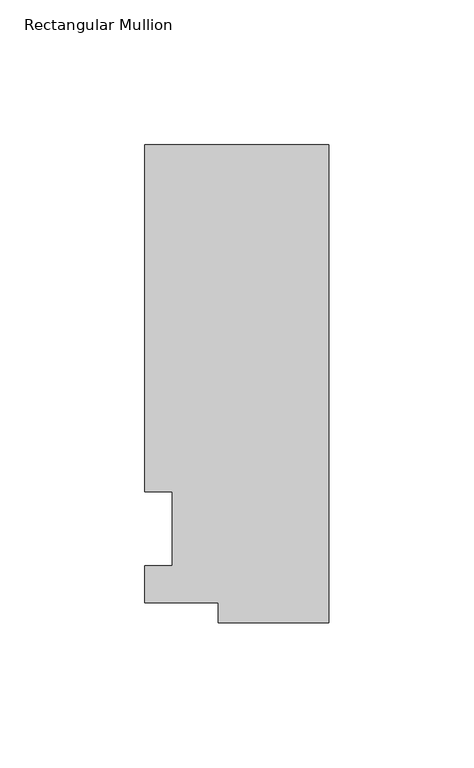
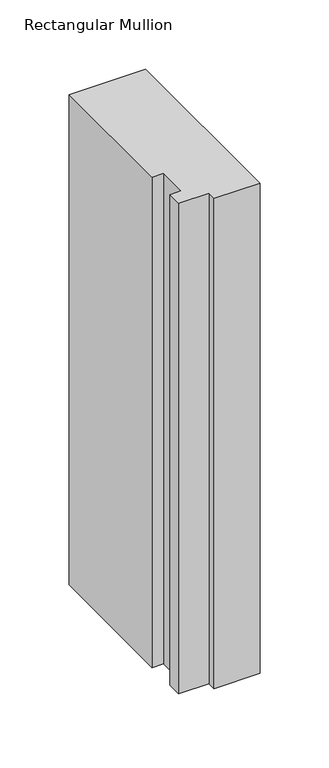
"""IFC4 building model written with IfcOpenShell, lengths in millimetres: member geometry, Rectangular Mullion."""

import ifcopenshell
import ifcopenshell.guid

model = None  # the IFC model being written
_history = None  # IfcOwnerHistory: only IFC2X3 demands one
_inside = {}  # id of a spatial element -> (the spatial element, [elements in it])
_under = {}  # id of a project, library or spatial element -> (it, [spatial elements below it])
_declared = {}  # id of a project -> (the project, [libraries it declares])
_typed = {}  # id of a type object -> (the type object, [elements of that type])
_made_of = {}  # id of a material, layer set ... -> (it, [elements and type objects made of it])


def new_model(schema):
    """Start an empty IFC model of exactly this schema.

    Asked for "IFC4X3", IfcOpenShell would pick the latest addendum, in which some entities
    have other attributes; the version numbers below select the first issue.
    IFC2X3 requires an IfcOwnerHistory on every rooted entity: one is made here for all.
    """
    global model, _history
    if schema == "IFC4X3":
        model = ifcopenshell.file(schema_version=(4, 3, 0, 0))
    else:
        model = ifcopenshell.file(schema=schema)
    _inside.clear()
    _under.clear()
    _declared.clear()
    _typed.clear()
    _made_of.clear()
    _history = None
    if model.schema == "IFC2X3":
        org = make("IfcOrganization", Name="unknown")
        user = make(
            "IfcPersonAndOrganization",
            ThePerson=make("IfcPerson", FamilyName="unknown"),
            TheOrganization=org,
        )
        app = make(
            "IfcApplication",
            ApplicationDeveloper=org,
            Version="unknown",
            ApplicationFullName="unknown",
            ApplicationIdentifier="unknown",
        )
        _history = make(
            "IfcOwnerHistory",
            OwningUser=user,
            OwningApplication=app,
            ChangeAction="ADDED",
            CreationDate=0,
        )
    return model


def make(cls, **values):
    """One entity of the class cls with the attributes given. An attribute that is None is left unset."""
    return model.create_entity(
        cls, **{name: value for name, value in values.items() if value is not None}
    )


def rooted(cls, **values):
    """An entity with a GlobalId (a new one), such as an element, a storey or a relation."""
    return make(cls, GlobalId=ifcopenshell.guid.new(), OwnerHistory=_history, **values)


def si_unit(unit_type, name, prefix=None):
    """IfcSIUnit, for example si_unit("LENGTHUNIT", "METRE", prefix="MILLI")."""
    return make("IfcSIUnit", UnitType=unit_type, Prefix=prefix, Name=name)


def assignment(units):
    """IfcUnitAssignment: the units of a project."""
    return None if units is None else make("IfcUnitAssignment", Units=units)


def point(xyz):
    """IfcCartesianPoint."""
    return None if xyz is None else make("IfcCartesianPoint", Coordinates=xyz)


def direction(xyz):
    """IfcDirection."""
    return None if xyz is None else make("IfcDirection", DirectionRatios=xyz)


def frame(location, z_axis=None, x_axis=None):
    """IfcAxis2Placement3D, a coordinate frame: its origin and axes. An axis left out is left unset."""
    return make(
        "IfcAxis2Placement3D",
        Location=point(location),
        Axis=direction(z_axis),
        RefDirection=direction(x_axis),
    )


def origin():
    """The frame at (0, 0, 0) with its axes left unset."""
    return frame((0.0, 0.0, 0.0))


def place(relative_to, where):
    """IfcLocalPlacement: puts the frame where relative to a parent placement (None: the world)."""
    return make(
        "IfcLocalPlacement", PlacementRelTo=relative_to, RelativePlacement=where
    )


def context(
    kind, dimensions, precision=None, world=None, true_north=None, identifier=None
):
    """IfcGeometricRepresentationContext, for example the 3D "Model" context."""
    return make(
        "IfcGeometricRepresentationContext",
        ContextIdentifier=identifier,
        ContextType=kind,
        CoordinateSpaceDimension=dimensions,
        Precision=precision,
        WorldCoordinateSystem=world,
        TrueNorth=true_north,
    )


def project(units=None, contexts=None):
    """IfcProject with its units and contexts."""
    return rooted(
        "IfcProject",
        Name="project",
        RepresentationContexts=contexts,
        UnitsInContext=assignment(units),
    )


def spatial(cls, under=None, at=None, **own):
    """A site, building, storey or space (cls), placed at a placement, below another one or the project."""
    s = rooted(cls, ObjectPlacement=at, **own)
    if under is not None:
        _under.setdefault(under.id(), (under, []))[1].append(s)
    return s


def polyline(points):
    """IfcPolyline through the points."""
    return make("IfcPolyline", Points=[point(p) for p in points])


def outline(outer, holes=None, kind="AREA"):
    """IfcArbitraryClosedProfileDef: a profile drawn as a closed curve; with holes, ...WithVoids."""
    if holes is None:
        return make("IfcArbitraryClosedProfileDef", ProfileType=kind, OuterCurve=outer)
    return make(
        "IfcArbitraryProfileDefWithVoids",
        ProfileType=kind,
        OuterCurve=outer,
        InnerCurves=holes,
    )


def extrude(swept, where, along, depth):
    """IfcExtrudedAreaSolid: the profile swept, set in the frame where, extruded along a direction by depth."""
    return make(
        "IfcExtrudedAreaSolid",
        SweptArea=swept,
        Position=where,
        ExtrudedDirection=direction(along),
        Depth=depth,
    )


def shape(context_of_items, identifier, shape_type, items):
    """IfcShapeRepresentation: the items that make up one representation, for example the "Body"."""
    return make(
        "IfcShapeRepresentation",
        ContextOfItems=context_of_items,
        RepresentationIdentifier=identifier,
        RepresentationType=shape_type,
        Items=items,
    )


def source(mapping_origin, context_of_items, identifier, shape_type, items):
    """IfcRepresentationMap: a shape defined once, which mapped items show again and again."""
    return make(
        "IfcRepresentationMap",
        MappingOrigin=mapping_origin,
        MappedRepresentation=shape(context_of_items, identifier, shape_type, items),
    )


def transform(
    local_origin,
    x_axis=None,
    y_axis=None,
    z_axis=None,
    scale=None,
    scale2=None,
    scale3=None,
    uniform=True,
):
    """IfcCartesianTransformationOperator3D, or its non-uniform kind. x_axis, y_axis, z_axis: its Axis1, 2, 3."""
    if uniform:
        return make(
            "IfcCartesianTransformationOperator3D",
            Axis1=direction(x_axis),
            Axis2=direction(y_axis),
            LocalOrigin=point(local_origin),
            Scale=scale,
            Axis3=direction(z_axis),
        )
    return make(
        "IfcCartesianTransformationOperator3DnonUniform",
        Axis1=direction(x_axis),
        Axis2=direction(y_axis),
        LocalOrigin=point(local_origin),
        Scale=scale,
        Axis3=direction(z_axis),
        Scale2=scale2,
        Scale3=scale3,
    )


def mapped(mapping_source, mapping_target):
    """IfcMappedItem: shows the shape of a source again, moved by a transform."""
    return make(
        "IfcMappedItem", MappingSource=mapping_source, MappingTarget=mapping_target
    )


def made_of(thing, what):
    """Note that an element or type object is made of a material, layer set ...; save() writes the relation."""
    if what is not None:
        _made_of.setdefault(what.id(), (what, []))[1].append(thing)
    return thing


def element(
    cls,
    number,
    at=None,
    inside=None,
    cuts=None,
    type_object=None,
    material=None,
    context=None,
    identifier="Body",
    shape_type=None,
    held_by="IfcProductDefinitionShape",
    body=None,
    shapes=None,
    **own,
):
    """One element of the class cls, such as IfcWall. Its Tag is "e" and its number.

    at: its placement. inside: the storey or other place that contains it. cuts: it is an
    opening in that element (IfcRelVoidsElement). A single representation is given by context,
    identifier, shape_type and body (its items); several are given by shapes. held_by: the class
    of the entity that holds the representations. save() writes the other relations.
    """
    e = rooted(cls, Tag="e%d" % number, ObjectPlacement=at, **own)
    if body is not None:
        shapes = [shape(context, identifier, shape_type, body)]
    if shapes is not None:
        e.Representation = make(held_by, Representations=shapes)
    if inside is not None:
        _inside.setdefault(inside.id(), (inside, []))[1].append(e)
    if cuts is not None:
        rooted(
            "IfcRelVoidsElement", RelatingBuildingElement=cuts, RelatedOpeningElement=e
        )
    if type_object is not None:
        _typed.setdefault(type_object.id(), (type_object, []))[1].append(e)
    return made_of(e, material)


def aggregate(whole, parts):
    """IfcRelAggregates: a whole, such as a stair, and the parts it consists of."""
    return rooted("IfcRelAggregates", RelatingObject=whole, RelatedObjects=parts)


def save(model, path):
    """Write the relations noted so far, then the file.

    IfcRelAggregates (storeys below a building ...), IfcRelContainedInSpatialStructure (elements
    in a storey), IfcRelDefinesByType, IfcRelAssociatesMaterial and IfcRelDeclares: one each for
    every whole, place, type object, material and project.
    """
    for whole, parts in _under.values():
        aggregate(whole, parts)
    for where, things in _inside.values():
        rooted(
            "IfcRelContainedInSpatialStructure",
            RelatedElements=things,
            RelatingStructure=where,
        )
    for kind, things in _typed.values():
        rooted("IfcRelDefinesByType", RelatedObjects=things, RelatingType=kind)
    for what, things in _made_of.values():
        rooted("IfcRelAssociatesMaterial", RelatedObjects=things, RelatingMaterial=what)
    for by, libraries in _declared.values():
        rooted("IfcRelDeclares", RelatingContext=by, RelatedDefinitions=libraries)
    model.write(path)


def rectangular_mullion_5e66b352(model_context):
    return source(origin(), model_context, "Body", "SweptSolid", [
        extrude(outline(polyline([(-38.1, -32.54375), (-38.1, -25.58415), (-63.5, -25.58415), (-63.5, -12.7), (-53.975, -12.7), (-53.975, 12.7), (-63.5, 12.7), (-63.5, 132.55625), (0.0, 132.55625), (0.0, -32.54375), (-38.1, -32.54375)])), frame((0.0, 0.0, -431.8), z_axis=(0.0, 0.0, 1.0), x_axis=(1.0, 0.0, 0.0)), (0.0, 0.0, 1.0), 431.8),
    ])


if __name__ == "__main__":
    model = new_model("IFC4")
    model_context = context("Model", 3, world=origin())
    ifc_project = project(units=[si_unit("LENGTHUNIT", "METRE", prefix="MILLI")], contexts=[model_context])
    site = spatial("IfcSite", under=ifc_project)
    building = spatial("IfcBuilding", under=site)
    placement = place(None, origin())
    rectangular_mullion_shape = rectangular_mullion_5e66b352(model_context)
    element("IfcMember", 1, ObjectType="Rectangular Mullion", at=placement, inside=building, context=model_context, shape_type="MappedRepresentation", body=[
        mapped(rectangular_mullion_shape, transform((0.0, 0.0, 0.0), x_axis=(1.0, 0.0, 0.0), y_axis=(0.0, 1.0, 0.0), z_axis=(0.0, 0.0, 1.0))),
    ])
    save(model, "model.ifc")
